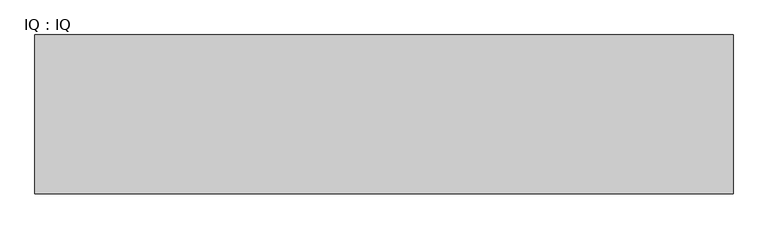
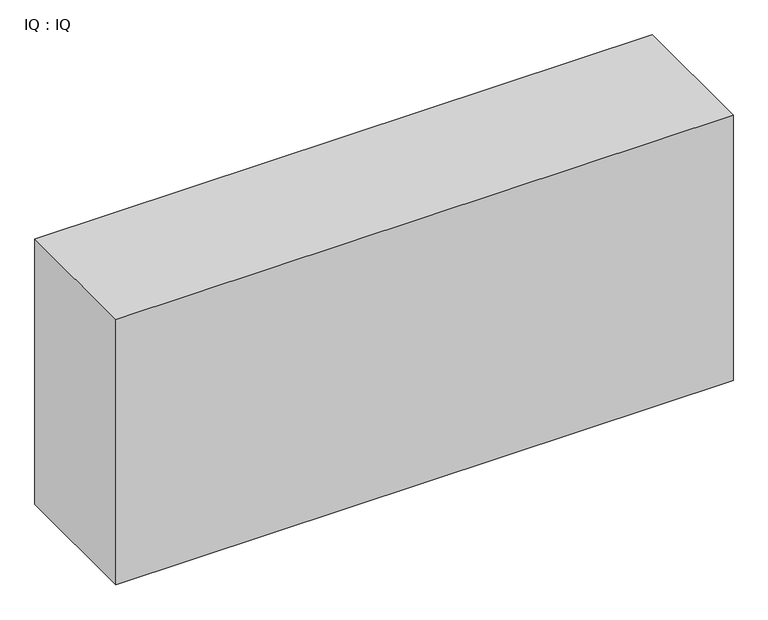
"""IFC4 building model written with IfcOpenShell, lengths in millimetres: proxy geometry, IQ : IQ."""

from ifc_helpers import new_model, si_unit, origin, origin_with_axes, place, context, project, spatial, polyline, outline, extrude, source, transform, mapped, element, save


def iq_iq_16592414(model_context):
    return source(origin(), model_context, "Body", "SweptSolid", [
        extrude(outline(polyline([(2200.0, 500.0), (2200.0, 0.0), (0.0, 0.0), (0.0, 500.0), (2200.0, 500.0)])), origin_with_axes(), (0.0, 0.0, 1.0), 1000.0),
    ])


if __name__ == "__main__":
    model = new_model("IFC4")
    model_context = context("Model", 3, world=origin())
    ifc_project = project(units=[si_unit("LENGTHUNIT", "METRE", prefix="MILLI")], contexts=[model_context])
    site = spatial("IfcSite", under=ifc_project)
    building = spatial("IfcBuilding", under=site)
    placement = place(None, origin())
    iq_iq_shape = iq_iq_16592414(model_context)
    element("IfcBuildingElementProxy", 1, Name="IQ : IQ", ObjectType="IQ : IQ", at=placement, inside=building, context=model_context, shape_type="MappedRepresentation", body=[
        mapped(iq_iq_shape, transform((0.0, 0.0, 0.0), x_axis=(1.0, 0.0, 0.0), y_axis=(0.0, 1.0, 0.0), z_axis=(0.0, 0.0, 1.0))),
    ])
    save(model, "model.ifc")
